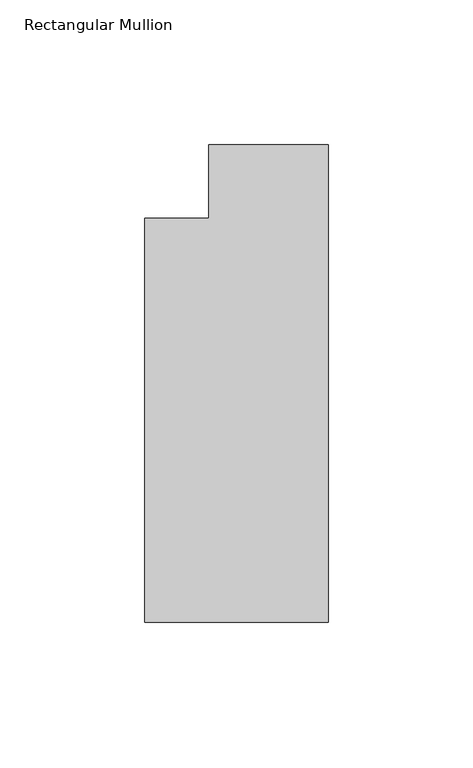
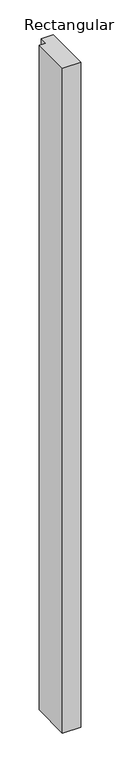
"""IFC4 building model written with IfcOpenShell, lengths in millimetres: member geometry, Rectangular Mullion."""

from ifc_helpers import new_model, si_unit, frame, origin, place, context, project, spatial, polyline, outline, extrude, source, transform, mapped, element, save


def rectangular_mullion_fb1cc471(model_context):
    return source(origin(), model_context, "Body", "SweptSolid", [
        extrude(outline(polyline([(0.0, -165.099995), (-63.5, -165.099995), (-63.5, -25.4), (-41.2751132, -25.4), (-41.2751132, 0.0), (0.0, 0.0), (0.0, -165.099995)])), frame((0.0, 0.0, -2438.4), z_axis=(0.0, 0.0, 1.0), x_axis=(1.0, 0.0, 0.0)), (0.0, 0.0, 1.0), 2438.4),
    ])


if __name__ == "__main__":
    model = new_model("IFC4")
    model_context = context("Model", 3, world=origin())
    ifc_project = project(units=[si_unit("LENGTHUNIT", "METRE", prefix="MILLI")], contexts=[model_context])
    site = spatial("IfcSite", under=ifc_project)
    building = spatial("IfcBuilding", under=site)
    placement = place(None, origin())
    rectangular_mullion_shape = rectangular_mullion_fb1cc471(model_context)
    element("IfcMember", 1, ObjectType="Rectangular Mullion", at=placement, inside=building, context=model_context, shape_type="MappedRepresentation", body=[
        mapped(rectangular_mullion_shape, transform((0.0, 0.0, 0.0), x_axis=(1.0, 0.0, 0.0), y_axis=(0.0, 1.0, 0.0), z_axis=(0.0, 0.0, 1.0))),
    ])
    save(model, "model.ifc")
